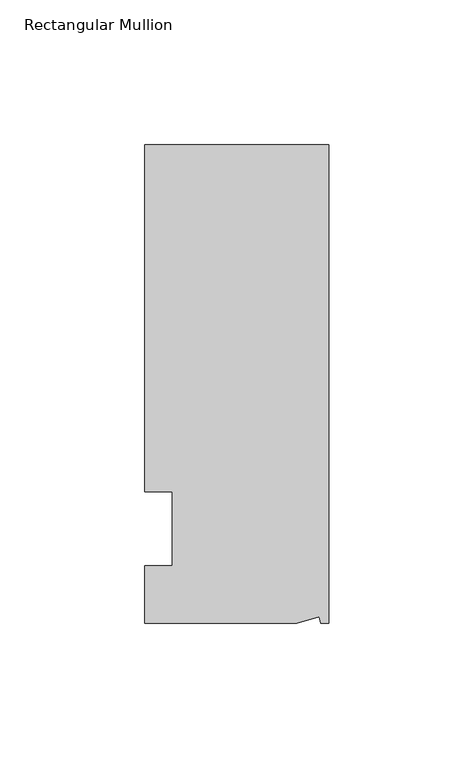
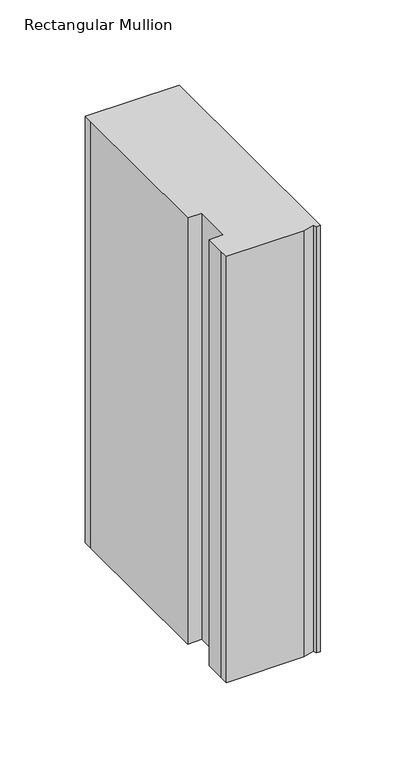
"""IFC4 building model written with IfcOpenShell, lengths in millimetres: member geometry, Rectangular Mullion."""

from ifc_helpers import new_model, si_unit, origin, place, context, project, spatial, faceted_brep, source, transform, mapped, element, save


def rectangular_mullion_95251e41(model_context):
    return source(origin(), model_context, "Body", "Brep", [
        faceted_brep([(0.0, 132.5561012, 0.0), (-63.5, 132.5561012, 0.0), (-63.5, 126.2061012, 0.0), (-63.5, 12.8488281, 0.0), (-53.975, 12.8488281, 0.0), (-53.975, -12.7, 0.0), (-63.5, -12.7, 0.0), (-63.5, -26.1938988, 0.0), (-63.5076469, -32.5438988, 0.0), (-11.1125, -32.5438988, 0.0), (-3.3223696, -30.4565397, 0.0), (-2.7630634, -32.5438988, 0.0), (0.0, -32.5438988, 0.0), (0.0, 132.5561012, -304.8), (0.0, -32.5438988, -304.8), (-2.7630634, -32.5438988, -304.8), (-3.3223696, -30.4565397, -304.8), (-11.1125, -32.5438988, -304.8), (-63.5076469, -32.5438988, -304.8), (-63.5076469, -26.1938988, -304.8), (-63.5, -12.7, -304.8), (-53.975, -12.7, -304.8), (-53.975, 12.8488281, -304.8), (-63.5, 12.8488281, -304.8), (-63.5, 126.2061012, -304.8), (-63.5, 132.5561012, -304.8)], [[[0, 1, 2, 3, 4, 5, 6, 7, 8, 9, 10, 11, 12]], [[13, 14, 15, 16, 17, 18, 19, 20, 21, 22, 23, 24, 25]], [[0, 12, 14, 13]], [[1, 0, 13, 25]], [[3, 2, 24, 23]], [[4, 3, 23, 22]], [[5, 4, 22, 21]], [[6, 5, 21, 20]], [[7, 6, 20, 19]], [[9, 8, 18, 17]], [[10, 9, 17, 16]], [[11, 10, 16, 15]], [[12, 11, 15, 14]], [[2, 1, 25, 24]], [[8, 7, 19, 18]]]),
    ])


if __name__ == "__main__":
    model = new_model("IFC4")
    model_context = context("Model", 3, world=origin())
    ifc_project = project(units=[si_unit("LENGTHUNIT", "METRE", prefix="MILLI")], contexts=[model_context])
    site = spatial("IfcSite", under=ifc_project)
    building = spatial("IfcBuilding", under=site)
    placement = place(None, origin())
    rectangular_mullion_shape = rectangular_mullion_95251e41(model_context)
    element("IfcMember", 1, ObjectType="Rectangular Mullion", at=placement, inside=building, context=model_context, shape_type="MappedRepresentation", body=[
        mapped(rectangular_mullion_shape, transform((0.0, 0.0, 0.0), x_axis=(1.0, 0.0, 0.0), y_axis=(0.0, 1.0, 0.0), z_axis=(0.0, 0.0, 1.0))),
    ])
    save(model, "model.ifc")
